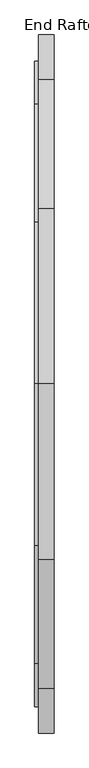
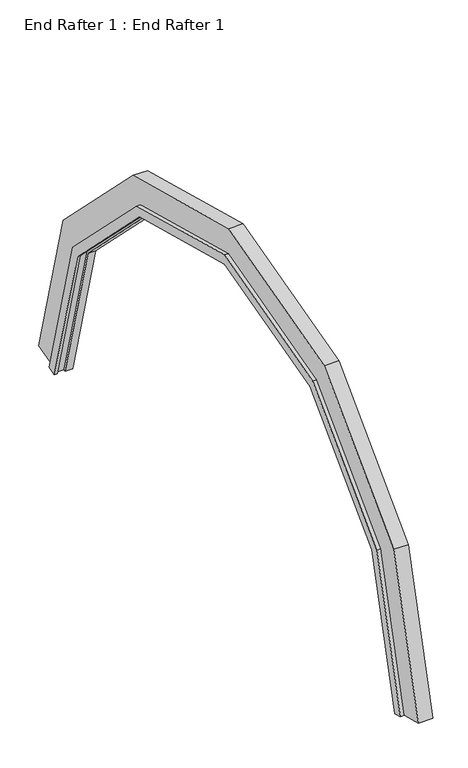
"""IFC4 building model written with IfcOpenShell, lengths in millimetres: proxy geometry, End Rafter 1 : End Rafter 1."""

from ifc_helpers import new_model, si_unit, origin, place, context, project, spatial, faceted_brep, source, transform, mapped, element, save


def end_rafter_1_end_rafter_1_77bb7bde(model_context):
    return source(origin(), model_context, "Body", "Brep", [
        faceted_brep([(-5223.9266598, 2519.072171, 949.86816), (-5223.9266598, 2652.2248529, 914.1900064), (-5244.5726824, 2652.2248529, 914.1900064), (-5244.5726824, 2701.2900212, 901.0430342), (-5228.6765928, 2701.2900212, 901.0430342), (-5228.6765928, 2689.7514972, 904.1347724), (-5187.0490642, 2689.7514972, 904.1347724), (-5187.0490642, 2701.2900212, 901.0430342), (-5145.7732944, 2701.2900212, 901.0430342), (-5145.7732944, 2519.072171, 949.86816), (-5223.9266598, 2747.0692617, 1800.7648866), (-5223.9266598, 3398.0429391, 2451.738564), (-5223.9266598, 4290.6909238, 2690.9228706), (-5223.9266598, 5183.3389085, 2451.738564), (-5223.9266598, 5834.3125859, 1800.7648866), (-5223.9266598, 6062.3096766, 949.86816), (-5223.9266598, 5929.1569946, 914.1900064), (-5223.9266598, 5710.7198363, 1729.4085794), (-5223.9266598, 5111.9826013, 2328.1458145), (-5223.9266598, 4290.6909238, 2548.2102562), (-5223.9266598, 3469.3992463, 2328.1458145), (-5223.9266598, 2870.6620112, 1729.4085794), (-5244.5726824, 2870.6620112, 1729.4085794), (-5244.5726824, 3469.3992463, 2328.1458145), (-5244.5726824, 4290.6909238, 2548.2102562), (-5244.5726824, 5111.9826013, 2328.1458145), (-5244.5726824, 5710.7198363, 1729.4085794), (-5244.5726824, 5929.1569946, 914.1900064), (-5244.5726824, 5880.0918264, 901.0430342), (-5244.5726824, 5665.1773887, 1703.114635), (-5244.5726824, 5085.6886568, 2282.6033668), (-5244.5726824, 4290.6909238, 2495.6223674), (-5244.5726824, 3495.6931907, 2282.6033668), (-5244.5726824, 2916.2044589, 1703.114635), (-5228.6765928, 2916.2044589, 1703.114635), (-5228.6765928, 3495.6931907, 2282.6033668), (-5228.6765928, 4290.6909238, 2495.6223674), (-5228.6765928, 5085.6886568, 2282.6033668), (-5228.6765928, 5665.1773887, 1703.114635), (-5228.6765928, 5880.0918264, 901.0430342), (-5228.6765928, 5891.6303504, 904.1347724), (-5228.6765928, 5675.887484, 1709.2981114), (-5228.6765928, 5091.8721332, 2293.3134621), (-5228.6765928, 4290.6909238, 2507.9893202), (-5228.6765928, 3489.5097143, 2293.3134621), (-5228.6765928, 2905.4943636, 1709.2981114), (-5187.0490642, 2905.4943636, 1709.2981114), (-5187.0490642, 3489.5097143, 2293.3134621), (-5187.0490642, 4290.6909238, 2507.9893202), (-5187.0490642, 5091.8721332, 2293.3134621), (-5187.0490642, 5675.887484, 1709.2981114), (-5187.0490642, 5891.6303504, 904.1347724), (-5187.0490642, 5880.0918264, 901.0430342), (-5187.0490642, 5665.1773887, 1703.114635), (-5187.0490642, 5085.6886568, 2282.6033668), (-5187.0490642, 4290.6909238, 2495.6223674), (-5187.0490642, 3495.6931907, 2282.6033668), (-5187.0490642, 2916.2044589, 1703.114635), (-5145.7732944, 2916.2044589, 1703.114635), (-5145.7732944, 3495.6931907, 2282.6033668), (-5145.7732944, 4290.6909238, 2495.6223674), (-5145.7732944, 5085.6886568, 2282.6033668), (-5145.7732944, 5665.1773887, 1703.114635), (-5145.7732944, 5880.0918264, 901.0430342), (-5145.7732944, 6062.3096766, 949.86816), (-5145.7732944, 5834.3125859, 1800.7648866), (-5145.7732944, 5183.3389085, 2451.738564), (-5145.7732944, 4290.6909238, 2690.9228706), (-5145.7732944, 3398.0429391, 2451.738564), (-5145.7732944, 2747.0692617, 1800.7648866)], [[[0, 1, 2, 3, 4, 5, 6, 7, 8, 9]], [[1, 0, 10, 11, 12, 13, 14, 15, 16, 17, 18, 19, 20, 21]], [[2, 1, 21, 22]], [[3, 2, 22, 23, 24, 25, 26, 27, 28, 29, 30, 31, 32, 33]], [[4, 3, 33, 34]], [[5, 4, 34, 35, 36, 37, 38, 39, 40, 41, 42, 43, 44, 45]], [[6, 5, 45, 46]], [[7, 6, 46, 47, 48, 49, 50, 51, 52, 53, 54, 55, 56, 57]], [[8, 7, 57, 58]], [[9, 8, 58, 59, 60, 61, 62, 63, 64, 65, 66, 67, 68, 69]], [[0, 9, 69, 10]], [[22, 21, 20, 23]], [[34, 33, 32, 35]], [[46, 45, 44, 47]], [[58, 57, 56, 59]], [[10, 69, 68, 11]], [[23, 20, 19, 24]], [[35, 32, 31, 36]], [[47, 44, 43, 48]], [[59, 56, 55, 60]], [[11, 68, 67, 12]], [[24, 19, 18, 25]], [[36, 31, 30, 37]], [[48, 43, 42, 49]], [[60, 55, 54, 61]], [[12, 67, 66, 13]], [[25, 18, 17, 26]], [[37, 30, 29, 38]], [[49, 42, 41, 50]], [[61, 54, 53, 62]], [[13, 66, 65, 14]], [[15, 64, 63, 52, 51, 40, 39, 28, 27, 16]], [[26, 17, 16, 27]], [[38, 29, 28, 39]], [[50, 41, 40, 51]], [[62, 53, 52, 63]], [[14, 65, 64, 15]]]),
    ])


if __name__ == "__main__":
    model = new_model("IFC4")
    model_context = context("Model", 3, world=origin())
    ifc_project = project(units=[si_unit("LENGTHUNIT", "METRE", prefix="MILLI")], contexts=[model_context])
    site = spatial("IfcSite", under=ifc_project)
    building = spatial("IfcBuilding", under=site)
    placement = place(None, origin())
    end_rafter_1_end_rafter_1_shape = end_rafter_1_end_rafter_1_77bb7bde(model_context)
    element("IfcBuildingElementProxy", 1, Name="End Rafter 1 : End Rafter 1", ObjectType="End Rafter 1 : End Rafter 1", at=placement, inside=building, context=model_context, shape_type="MappedRepresentation", body=[
        mapped(end_rafter_1_end_rafter_1_shape, transform((0.0, 0.0, 0.0), x_axis=(1.0, 0.0, 0.0), y_axis=(0.0, 1.0, 0.0), z_axis=(0.0, 0.0, 1.0))),
    ])
    save(model, "model.ifc")
